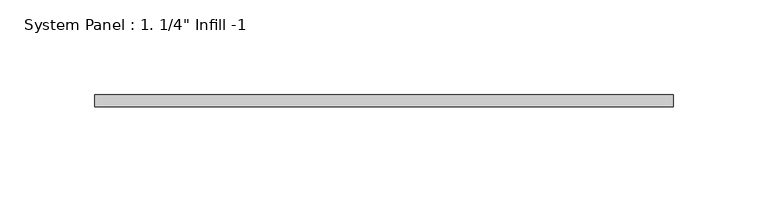
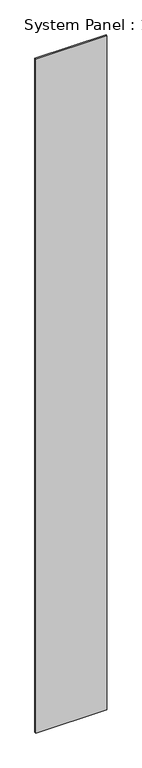
"""IFC4 building model written with IfcOpenShell, lengths in millimetres: plate geometry."""

from ifc_helpers import new_model, si_unit, origin, origin_with_axes, place, context, project, spatial, polyline, outline, extrude, source, transform, mapped, element, save


def plate_46208a4f(model_context):
    return source(origin(), model_context, "Body", "SweptSolid", [
        extrude(outline(polyline([(152.4, -25.4), (-152.4, -25.4), (-152.4, -19.05), (152.4, -19.05), (152.4, -25.4)])), origin_with_axes(), (0.0, 0.0, 1.0), 3048.0),
    ])


if __name__ == "__main__":
    model = new_model("IFC4")
    model_context = context("Model", 3, world=origin())
    ifc_project = project(units=[si_unit("LENGTHUNIT", "METRE", prefix="MILLI")], contexts=[model_context])
    site = spatial("IfcSite", under=ifc_project)
    building = spatial("IfcBuilding", under=site)
    placement = place(None, origin())
    plate_shape = plate_46208a4f(model_context)
    element("IfcPlate", 1, ObjectType="System Panel : 1. 1/4\" Infill -1", at=placement, inside=building, context=model_context, shape_type="MappedRepresentation", body=[
        mapped(plate_shape, transform((0.0, 0.0, 0.0), x_axis=(1.0, 0.0, 0.0), y_axis=(0.0, 1.0, 0.0), z_axis=(0.0, 0.0, 1.0))),
    ])
    save(model, "model.ifc")
